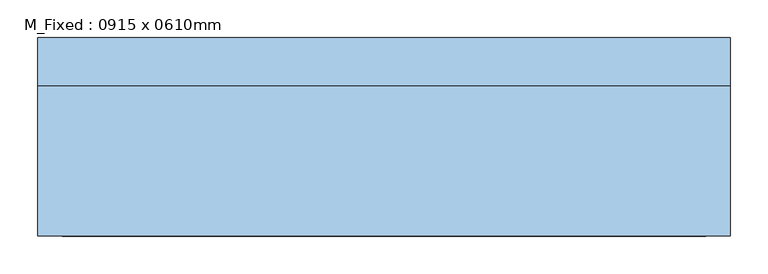
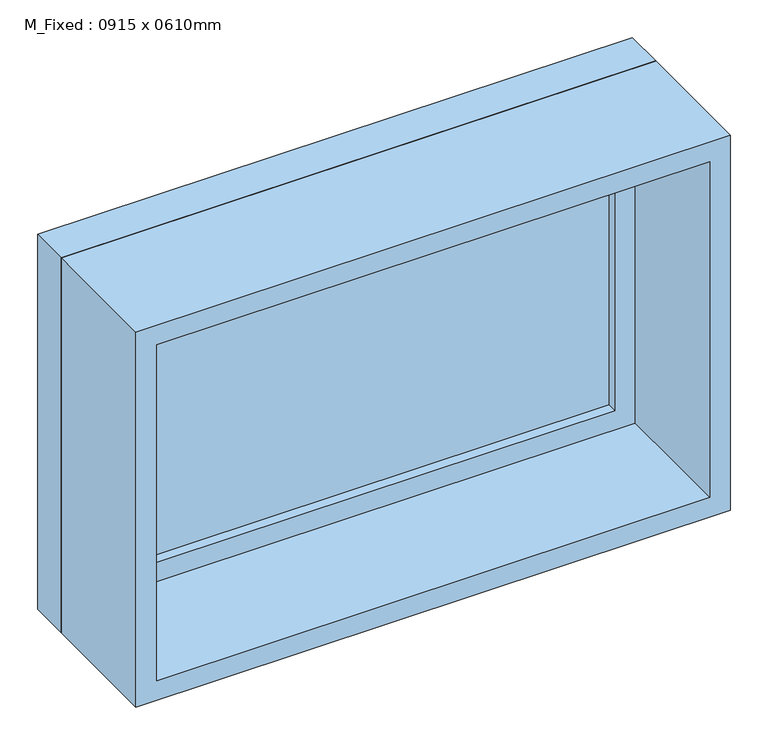
"""IFC4 building model written with IfcOpenShell, lengths in millimetres: window geometry, M_Fixed : 0915 x 0610mm."""

from ifc_helpers import new_model, si_unit, frame, origin, place, context, project, spatial, polyline, outline, extrude, source, transform, mapped, element, save


def m_fixed_0915_x_0610mm_36051818(model_context):
    return source(origin(), model_context, "Body", "SweptSolid", [
        extrude(outline(polyline([(-394.5, 109.25), (394.5, 109.25), (394.5, 97.25), (-394.5, 97.25), (-394.5, 109.25)])), frame((0.0, 0.0, 978.0), z_axis=(0.0, 0.0, 1.0), x_axis=(1.0, 0.0, 0.0)), (0.0, 0.0, 1.0), 484.0),
        extrude(outline(polyline([(1506.0, -438.5), (934.0, -438.5), (934.0, 438.5), (1506.0, 438.5), (1506.0, -438.5)]), holes=[polyline([(1462.0, -394.5), (1462.0, 394.5), (978.0, 394.5), (978.0, -394.5), (1462.0, -394.5)])]), frame((0.0, 81.25, 0.0), z_axis=(0.0, 1.0, 0.0), x_axis=(0.0, 0.0, 1.0)), (0.0, 0.0, 1.0), 44.0),
        extrude(outline(polyline([(1525.0, -457.5), (915.0, -457.5), (915.0, 457.5), (1525.0, 457.5), (1525.0, -457.5)]), holes=[polyline([(1506.0, -438.5), (1506.0, 438.5), (934.0, 438.5), (934.0, -438.5), (1506.0, -438.5)])]), frame((0.0, 81.25, 0.0), z_axis=(0.0, 1.0, 0.0), x_axis=(0.0, 0.0, 1.0)), (0.0, 0.0, 1.0), 63.0),
        extrude(outline(polyline([(1525.0, -457.5), (915.0, -457.5), (915.0, 457.5), (1525.0, 457.5), (1525.0, -457.5)]), holes=[polyline([(1493.0, -425.5), (1493.0, 425.5), (947.0, 425.5), (947.0, -425.5), (1493.0, -425.5)])]), frame((0.0, -118.25, 0.0), z_axis=(0.0, 1.0, 0.0), x_axis=(0.0, 0.0, 1.0)), (0.0, 0.0, 1.0), 199.5),
    ])


if __name__ == "__main__":
    model = new_model("IFC4")
    model_context = context("Model", 3, world=origin())
    ifc_project = project(units=[si_unit("LENGTHUNIT", "METRE", prefix="MILLI")], contexts=[model_context])
    site = spatial("IfcSite", under=ifc_project)
    building = spatial("IfcBuilding", under=site)
    placement = place(None, origin())
    m_fixed_0915_x_0610mm_shape = m_fixed_0915_x_0610mm_36051818(model_context)
    element("IfcWindow", 1, ObjectType="M_Fixed : 0915 x 0610mm", at=placement, inside=building, context=model_context, shape_type="MappedRepresentation", body=[
        mapped(m_fixed_0915_x_0610mm_shape, transform((0.0, 0.0, 0.0), x_axis=(1.0, 0.0, 0.0), y_axis=(0.0, 1.0, 0.0), z_axis=(0.0, 0.0, 1.0))),
    ])
    save(model, "model.ifc")
